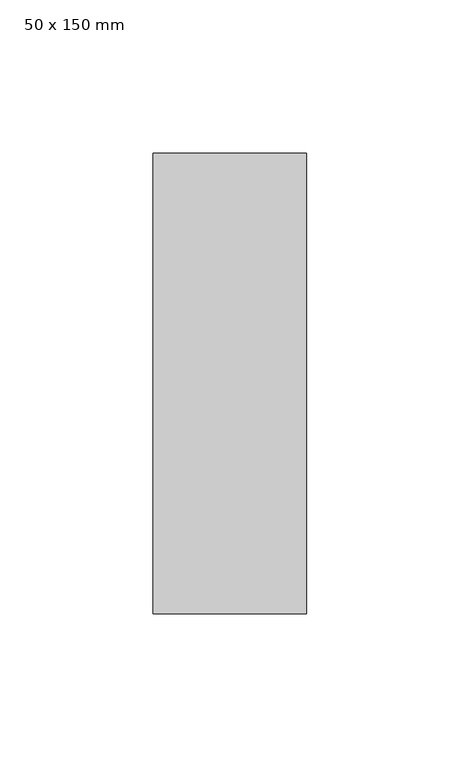
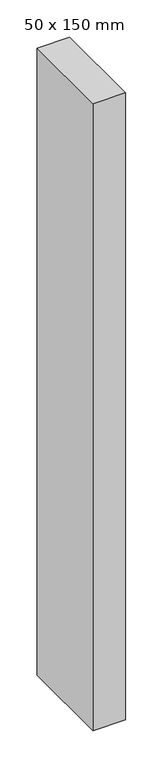
"""IFC4 building model written with IfcOpenShell, lengths in millimetres: member geometry, 50 x 150 mm."""

from ifc_helpers import new_model, si_unit, frame, origin, place, context, project, spatial, polyline, outline, extrude, source, transform, mapped, element, save


def member_50_x_150_mm_38419d34(model_context):
    return source(origin(), model_context, "Body", "SweptSolid", [
        extrude(outline(polyline([(25.0, 75.0), (25.0, -75.0), (-25.0, -75.0), (-25.0, 75.0), (25.0, 75.0)])), frame((0.0, 0.0, -1025.0), z_axis=(0.0, 0.0, 1.0), x_axis=(1.0, 0.0, 0.0)), (0.0, 0.0, 1.0), 1025.0),
    ])


if __name__ == "__main__":
    model = new_model("IFC4")
    model_context = context("Model", 3, world=origin())
    ifc_project = project(units=[si_unit("LENGTHUNIT", "METRE", prefix="MILLI")], contexts=[model_context])
    site = spatial("IfcSite", under=ifc_project)
    building = spatial("IfcBuilding", under=site)
    placement = place(None, origin())
    member_50_x_150_mm_shape = member_50_x_150_mm_38419d34(model_context)
    element("IfcMember", 1, ObjectType="50 x 150 mm", at=placement, inside=building, context=model_context, shape_type="MappedRepresentation", body=[
        mapped(member_50_x_150_mm_shape, transform((0.0, 0.0, 0.0), x_axis=(1.0, 0.0, 0.0), y_axis=(0.0, 1.0, 0.0), z_axis=(0.0, 0.0, 1.0))),
    ])
    save(model, "model.ifc")
